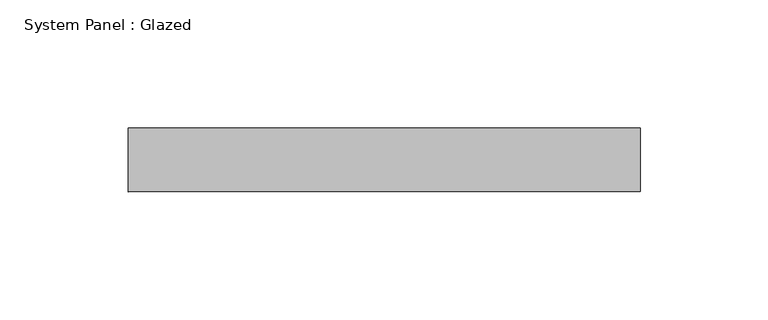
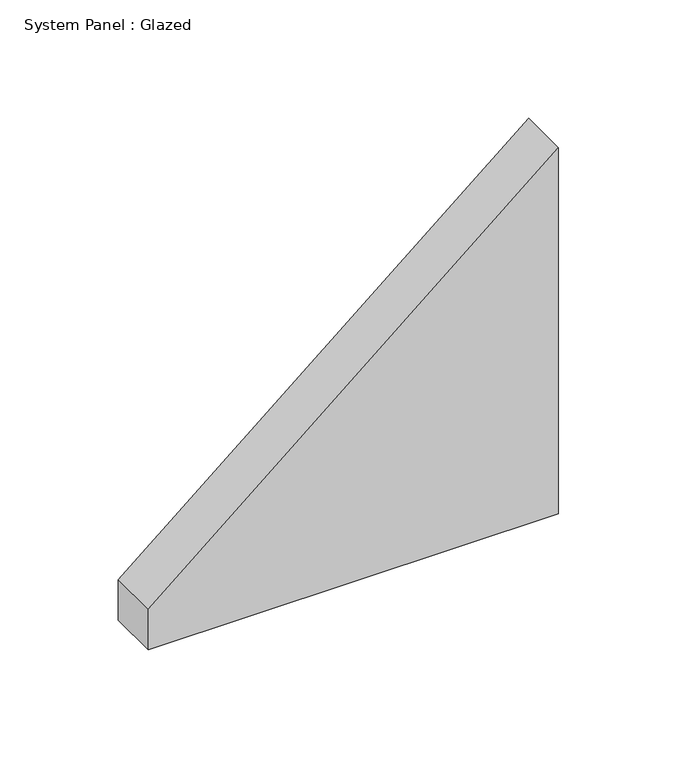
"""IFC4 building model written with IfcOpenShell, lengths in millimetres: plate geometry, System Panel : Glazed."""

from ifc_helpers import new_model, si_unit, frame, origin, place, context, project, spatial, polyline, outline, extrude, source, transform, mapped, element, save


def system_panel_glazed_c5b662e9(model_context):
    return source(origin(), model_context, "Body", "SweptSolid", [
        extrude(outline(polyline([(0.0, -100.0), (0.0, 100.0), (188.5785987, 100.0), (20.7586725, -100.0), (0.0, -100.0)])), frame((0.0, 24.5, 0.0), z_axis=(0.0, 1.0, 0.0), x_axis=(0.0, 0.0, 1.0)), (0.0, 0.0, 1.0), 25.0),
    ])


if __name__ == "__main__":
    model = new_model("IFC4")
    model_context = context("Model", 3, world=origin())
    ifc_project = project(units=[si_unit("LENGTHUNIT", "METRE", prefix="MILLI")], contexts=[model_context])
    site = spatial("IfcSite", under=ifc_project)
    building = spatial("IfcBuilding", under=site)
    placement = place(None, origin())
    system_panel_glazed_shape = system_panel_glazed_c5b662e9(model_context)
    element("IfcPlate", 1, ObjectType="System Panel : Glazed", at=placement, inside=building, context=model_context, shape_type="MappedRepresentation", body=[
        mapped(system_panel_glazed_shape, transform((0.0, 0.0, 0.0), x_axis=(1.0, 0.0, 0.0), y_axis=(0.0, 1.0, 0.0), z_axis=(0.0, 0.0, 1.0))),
    ])
    save(model, "model.ifc")
